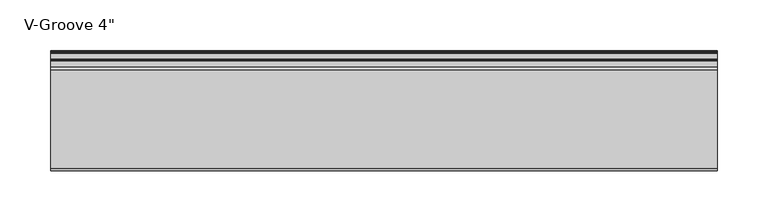
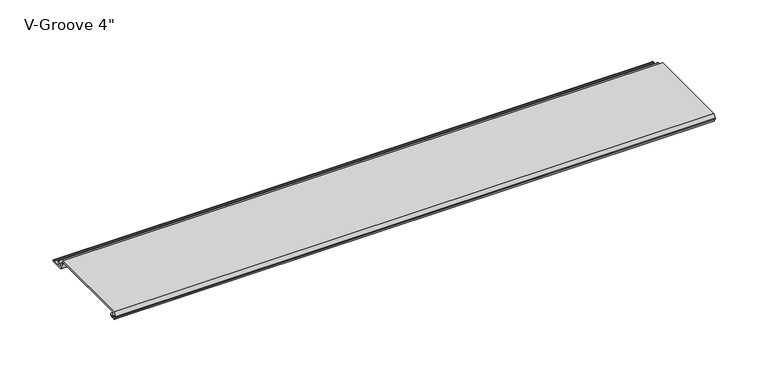
"""IFC4 building model written with IfcOpenShell, lengths in millimetres: proxy geometry."""

from ifc_helpers import new_model, si_unit, frame, origin, place, context, project, spatial, polyline, circle_curve, source, transform, mapped, element, save
from ifc_brep_helpers import plane_surface, cylinder_surface, revolved_surface, advanced_brep


def proxy_64e9bcae(model_context):
    return source(origin(), model_context, "Body", "AdvancedBrep", [
        advanced_brep(
        [(0.0, 4.8748016, 8.2677279), (0.0, 3.9297655, 8.3107178), (0.0, 1.0903749, 8.3537076), (0.0, 0.065443, 8.3537076), (0.0, 0.065443, 9.2261945), (0.0, 2.1184419, 13.2537076), (0.0, 98.9967857, 13.2537076), (0.0, 101.6, 8.1468156), (0.0, 107.4910449, 8.1468156), (0.0, 107.4738459, 6.6269129), (0.0, 103.3507651, 6.6268074), (0.0, 102.8162088, 5.7543198), (0.0, 103.9634478, 3.5037076), (0.0, 108.7480327, 3.5037076), (0.0, 109.505331, 2.8682589), (0.0, 115.2979176, 2.8682589), (0.0, 116.0552159, 3.5037076), (0.0, 117.0052159, 3.5037076), (0.0, 117.0052159, 1.8537076), (0.0, 103.0456734, 1.8537076), (0.0, 98.0348769, 11.6837076), (0.0, 4.9698231, 11.6837076), (0.0, 4.9454257, 9.4970429), (0.0, 6.3252986, 9.4327708), (0.0, 6.2190404, 4.8677279), (0.0, 2.2867276, 4.8677279), (0.0, 2.2368711, 6.1940104), (0.0, 4.5055344, 6.3177279), (0.0, 6.0740222, 6.3177279), (0.0, 6.0740222, 8.2677279), (653.773, 4.8748016, 8.2677279), (653.773, 6.0740222, 8.2677279), (653.773, 6.0740222, 6.3177279), (653.773, 4.5055344, 6.3177279), (653.773, 2.2368711, 6.1940104), (653.773, 2.2867276, 4.8677279), (653.773, 6.2190404, 4.8677279), (653.773, 6.3252986, 9.4327708), (653.773, 4.9454257, 9.4970429), (653.773, 4.9698231, 11.6837076), (653.773, 98.0348769, 11.6837076), (653.773, 103.0456734, 1.8537076), (653.773, 117.0052159, 1.8537076), (653.773, 117.0052159, 3.5037076), (653.773, 116.0552159, 3.5037076), (653.773, 115.2979176, 2.8682589), (653.773, 109.505331, 2.8682589), (653.773, 108.7480327, 3.5037076), (653.773, 103.9634478, 3.5037076), (653.773, 102.8162088, 5.7543198), (653.773, 103.3507651, 6.6268074), (653.773, 107.4738459, 6.6268074), (653.773, 107.4910449, 8.1468156), (653.773, 101.6, 8.1468156), (653.773, 98.9967857, 13.2537076), (653.773, 2.1184419, 13.2537076), (653.773, 0.065443, 9.2261945), (653.773, 0.065443, 8.3537076), (653.773, 1.0903749, 8.3537076), (653.773, 3.9297655, 8.3107178)],
        [
            (0, 1),
            (1, 2, circle_curve(frame((0.0, 2.4847467, 6.6596487), z_axis=(1.0, 0.0, 0.0), x_axis=(0.0, 1.0, 0.0)), 2.1941076)),
            (2, 3),
            (3, 4),
            (4, 5),
            (5, 6),
            (6, 7),
            (7, 8),
            (8, 9, circle_curve(frame((0.0, 107.4824454, 7.3868643), z_axis=(-1.0, 0.0, 0.0), x_axis=(0.0, 1.0, 0.0)), 0.76)),
            (9, 10),
            (10, 11, circle_curve(frame((0.0, 103.3507651, 6.0268074), z_axis=(1.0, 0.0, 0.0), x_axis=(0.0, 1.0, 0.0)), 0.6)),
            (11, 12),
            (12, 13),
            (13, 14),
            (14, 15),
            (15, 16),
            (16, 17),
            (17, 18, circle_curve(frame((0.0, 117.0052159, 2.6787076), z_axis=(-1.0, 0.0, 0.0), x_axis=(0.0, 1.0, 0.0)), 0.825)),
            (18, 19),
            (19, 20),
            (20, 21),
            (21, 22, circle_curve(frame((0.0, 4.9836004, 10.5900854), z_axis=(1.0, 0.0, 0.0), x_axis=(0.0, 1.0, 0.0)), 1.093709)),
            (22, 23),
            (23, 24, circle_curve(frame((0.0, 6.2190404, 7.151486), z_axis=(-1.0, 0.0, 0.0), x_axis=(0.0, 1.0, 0.0)), 2.2837581)),
            (24, 25),
            (25, 26, circle_curve(frame((0.0, 2.2867276, 5.5318063), z_axis=(-1.0, 0.0, 0.0), x_axis=(0.0, 1.0, 0.0)), 0.6640784)),
            (26, 27),
            (27, 28),
            (28, 29, circle_curve(frame((0.0, 6.0740222, 7.2927279), z_axis=(1.0, 0.0, 0.0), x_axis=(0.0, 1.0, 0.0)), 0.975)),
            (29, 0),
            (30, 31),
            (31, 32, circle_curve(frame((653.773, 6.0740222, 7.2927279), z_axis=(-1.0, 0.0, 0.0), x_axis=(0.0, 1.0, 0.0)), 0.975)),
            (32, 33),
            (33, 34),
            (34, 35, circle_curve(frame((653.773, 2.2867276, 5.5318063), z_axis=(1.0, 0.0, 0.0), x_axis=(0.0, 1.0, 0.0)), 0.6640784)),
            (35, 36),
            (36, 37, circle_curve(frame((653.773, 6.2190404, 7.151486), z_axis=(1.0, 0.0, 0.0), x_axis=(0.0, 1.0, 0.0)), 2.2837581)),
            (37, 38),
            (38, 39, circle_curve(frame((653.773, 4.9836004, 10.5900854), z_axis=(-1.0, 0.0, 0.0), x_axis=(0.0, 1.0, 0.0)), 1.093709)),
            (39, 40),
            (40, 41),
            (41, 42),
            (42, 43, circle_curve(frame((653.773, 117.0052159, 2.6787076), z_axis=(1.0, 0.0, 0.0), x_axis=(0.0, 1.0, 0.0)), 0.825)),
            (43, 44),
            (44, 45),
            (45, 46),
            (46, 47),
            (47, 48),
            (48, 49),
            (49, 50, circle_curve(frame((653.773, 103.3507651, 6.0268074), z_axis=(-1.0, 0.0, 0.0), x_axis=(0.0, 1.0, 0.0)), 0.6)),
            (50, 51),
            (51, 52, circle_curve(frame((653.773, 107.4824454, 7.3868643), z_axis=(1.0, 0.0, 0.0), x_axis=(0.0, 1.0, 0.0)), 0.76)),
            (52, 53),
            (53, 54),
            (54, 55),
            (55, 56),
            (56, 57),
            (57, 58),
            (58, 59, circle_curve(frame((653.773, 2.4847467, 6.6596487), z_axis=(-1.0, 0.0, 0.0), x_axis=(0.0, 1.0, 0.0)), 2.1941076)),
            (59, 30),
            (0, 30),
            (59, 1),
            (58, 2),
            (57, 3),
            (56, 4),
            (55, 5),
            (54, 6),
            (53, 7),
            (52, 8),
            (51, 9),
            (50, 10),
            (49, 11),
            (48, 12),
            (47, 13),
            (46, 14),
            (45, 15),
            (44, 16),
            (43, 17),
            (42, 18),
            (41, 19),
            (40, 20),
            (39, 21),
            (38, 22),
            (37, 23),
            (36, 24),
            (35, 25),
            (34, 26),
            (33, 27),
            (32, 28),
            (31, 29),
        ],
        [
            plane_surface(frame((0.0, 0.0, 0.0), z_axis=(-1.0, 0.0, 0.0), x_axis=(0.0, 0.0, 1.0))),
            plane_surface(frame((653.773, 0.0, 0.0), z_axis=(1.0, 0.0, 0.0), x_axis=(0.0, 0.0, 1.0))),
            plane_surface(frame((0.0, 4.8748016, 8.2677279), z_axis=(0.0, -0.045443199353729875, -0.9989669241934376), x_axis=(1.0, 0.0, 0.0))),
            revolved_surface(polyline([(653.773, 4.6788543, 6.6596487), (0.0, 4.6788543, 6.6596487)]), (0.0, 2.4847467, 6.6596487), (1.0, 0.0, 0.0)),
            plane_surface(frame((0.0, 1.0903749, 8.3537076), z_axis=(0.0, 0.0, -1.0), x_axis=(1.0, 0.0, 0.0))),
            plane_surface(frame((0.0, 0.065443, 8.3537076), z_axis=(0.0, -1.0, 0.0), x_axis=(1.0, 0.0, 0.0))),
            plane_surface(frame((0.0, 0.065443, 9.2261945), z_axis=(0.0, -0.8909279044420536, 0.4541447666620095), x_axis=(1.0, 0.0, 0.0))),
            plane_surface(frame((0.0, 2.1184419, 13.2537076), z_axis=(0.0, 0.0, 1.0), x_axis=(1.0, 0.0, 0.0))),
            plane_surface(frame((0.0, 98.9967857, 13.2537076), z_axis=(0.0, 0.8909272743280254, 0.45414600279913886), x_axis=(1.0, 0.0, 0.0))),
            plane_surface(frame((0.0, 101.6, 8.1468156), z_axis=(0.0, 0.0, 1.0), x_axis=(1.0, 0.0, 0.0))),
            cylinder_surface(frame((0.0, 107.4824454, 7.3868643), z_axis=(-1.0, 0.0, 0.0), x_axis=(0.0, 1.0, 0.0)), 0.76),
            plane_surface(frame((0.0, 107.4738459, 6.6268074), z_axis=(0.0, 0.0, -1.0), x_axis=(1.0, 0.0, 0.0))),
            revolved_surface(polyline([(653.773, 103.9507651, 6.0268074), (0.0, 103.9507651, 6.0268074)]), (0.0, 103.3507651, 6.0268074), (1.0, 0.0, 0.0)),
            plane_surface(frame((0.0, 102.8162088, 5.7543198), z_axis=(0.0, 0.890927274374244, 0.4541460027084689), x_axis=(1.0, 0.0, 0.0))),
            plane_surface(frame((0.0, 103.9634478, 3.5037076), z_axis=(0.0, 0.0, 1.0), x_axis=(1.0, 0.0, 0.0))),
            plane_surface(frame((0.0, 108.7480327, 3.5037076), z_axis=(0.0, 0.6427876096865576, 0.7660444431189628), x_axis=(1.0, 0.0, 0.0))),
            plane_surface(frame((0.0, 109.505331, 2.8682589), z_axis=(0.0, 0.0, 1.0), x_axis=(1.0, 0.0, 0.0))),
            plane_surface(frame((0.0, 115.2979176, 2.8682589), z_axis=(0.0, -0.6427876096865565, 0.7660444431189637), x_axis=(1.0, 0.0, 0.0))),
            plane_surface(frame((0.0, 116.0552159, 3.5037076), z_axis=(0.0, 0.0, 1.0), x_axis=(1.0, 0.0, 0.0))),
            cylinder_surface(frame((0.0, 117.0052159, 2.6787076), z_axis=(-1.0, 0.0, 0.0), x_axis=(0.0, 1.0, 0.0)), 0.825),
            plane_surface(frame((0.0, 117.0052159, 1.8537076), z_axis=(0.0, 0.0, -1.0), x_axis=(1.0, 0.0, 0.0))),
            plane_surface(frame((0.0, 103.0456734, 1.8537076), z_axis=(0.0, -0.890927274327636, -0.4541460027999029), x_axis=(1.0, 0.0, 0.0))),
            plane_surface(frame((0.0, 98.0348769, 11.6837076), z_axis=(0.0, 0.0, -1.0), x_axis=(1.0, 0.0, 0.0))),
            revolved_surface(polyline([(653.773, 6.077309400000001, 10.5900854), (0.0, 6.077309400000001, 10.5900854)]), (0.0, 4.9836004, 10.5900854), (1.0, 0.0, 0.0)),
            plane_surface(frame((0.0, 4.9454257, 9.4970429), z_axis=(0.0, 0.046527768163272164, 0.9989169969470661), x_axis=(1.0, 0.0, 0.0))),
            cylinder_surface(frame((0.0, 6.2190404, 7.151486), z_axis=(-1.0, 0.0, 0.0), x_axis=(0.0, 1.0, 0.0)), 2.2837581),
            plane_surface(frame((0.0, 6.2190404, 4.8677279), z_axis=(0.0, 0.0, -1.0), x_axis=(1.0, 0.0, 0.0))),
            cylinder_surface(frame((0.0, 2.2867276, 5.5318063), z_axis=(-1.0, 0.0, 0.0), x_axis=(0.0, 1.0, 0.0)), 0.6640784),
            plane_surface(frame((0.0, 2.2368711, 6.1940104), z_axis=(0.0, -0.054452281472051646, 0.9985163739481133), x_axis=(1.0, 0.0, 0.0))),
            plane_surface(frame((0.0, 4.5055344, 6.3177279), z_axis=(0.0, 0.0, 1.0), x_axis=(1.0, 0.0, 0.0))),
            revolved_surface(polyline([(653.773, 7.0490222, 7.2927279), (0.0, 7.0490222, 7.2927279)]), (0.0, 6.0740222, 7.2927279), (1.0, 0.0, 0.0)),
            plane_surface(frame((0.0, 6.0740222, 8.2677279), z_axis=(0.0, 0.0, -1.0), x_axis=(1.0, 0.0, 0.0))),
        ],
        [
            (0, [[1, 2, 3, 4, 5, 6, 7, 8, 9, 10, 11, 12, 13, 14, 15, 16, 17, 18, 19, 20, 21, 22, 23, 24, 25, 26, 27, 28, 29, 30]]),
            (1, [[31, 32, 33, 34, 35, 36, 37, 38, 39, 40, 41, 42, 43, 44, 45, 46, 47, 48, 49, 50, 51, 52, 53, 54, 55, 56, 57, 58, 59, 60]]),
            (2, [[-1, 61, -60, 62]]),
            (3, [[-2, -62, -59, 63]]),
            (4, [[-3, -63, -58, 64]]),
            (5, [[-4, -64, -57, 65]]),
            (6, [[-5, -65, -56, 66]]),
            (7, [[-6, -66, -55, 67]]),
            (8, [[-7, -67, -54, 68]]),
            (9, [[-8, -68, -53, 69]]),
            (10, [[-9, -69, -52, 70]]),
            (11, [[-10, -70, -51, 71]]),
            (12, [[-11, -71, -50, 72]]),
            (13, [[-12, -72, -49, 73]]),
            (14, [[-13, -73, -48, 74]]),
            (15, [[-14, -74, -47, 75]]),
            (16, [[-15, -75, -46, 76]]),
            (17, [[-16, -76, -45, 77]]),
            (18, [[-17, -77, -44, 78]]),
            (19, [[-18, -78, -43, 79]]),
            (20, [[-19, -79, -42, 80]]),
            (21, [[-20, -80, -41, 81]]),
            (22, [[-21, -81, -40, 82]]),
            (23, [[-22, -82, -39, 83]]),
            (24, [[-23, -83, -38, 84]]),
            (25, [[-24, -84, -37, 85]]),
            (26, [[-25, -85, -36, 86]]),
            (27, [[-26, -86, -35, 87]]),
            (28, [[-27, -87, -34, 88]]),
            (29, [[-28, -88, -33, 89]]),
            (30, [[-29, -89, -32, 90]]),
            (31, [[-30, -90, -31, -61]]),
        ],
    ),
    ])


if __name__ == "__main__":
    model = new_model("IFC4")
    model_context = context("Model", 3, world=origin())
    ifc_project = project(units=[si_unit("LENGTHUNIT", "METRE", prefix="MILLI")], contexts=[model_context])
    site = spatial("IfcSite", under=ifc_project)
    building = spatial("IfcBuilding", under=site)
    placement = place(None, origin())
    proxy_shape = proxy_64e9bcae(model_context)
    element("IfcBuildingElementProxy", 1, Name="V-Groove 4\"", ObjectType="V-Groove 4\"", at=placement, inside=building, context=model_context, shape_type="MappedRepresentation", body=[
        mapped(proxy_shape, transform((0.0, 0.0, 0.0), x_axis=(1.0, 0.0, 0.0), y_axis=(0.0, 1.0, 0.0), z_axis=(0.0, 0.0, 1.0))),
    ])
    save(model, "model.ifc")
